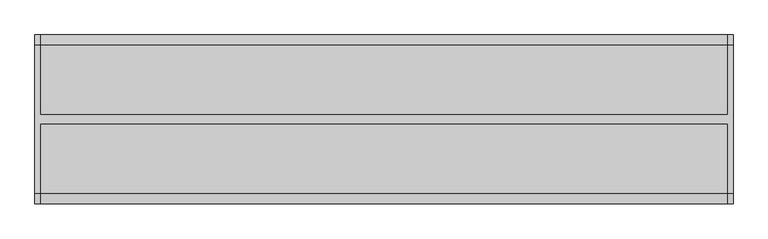
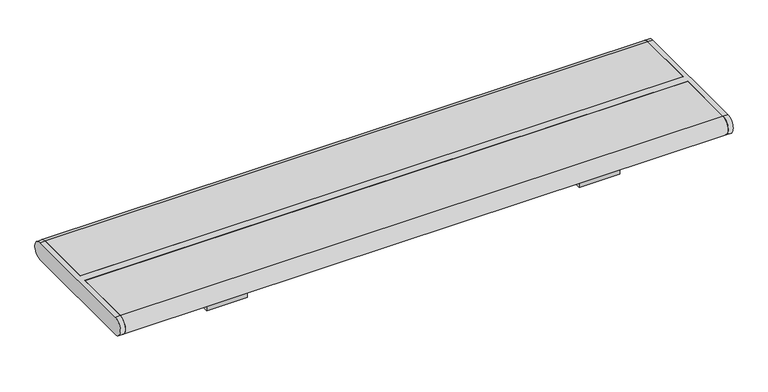
"""IFC4 building model written with IfcOpenShell, lengths in millimetres: furniture geometry."""

from ifc_helpers import new_model, si_unit, point, frame, frame_2d, origin, place, context, project, spatial, polyline, circle_curve, trimmed, segment, composite_curve, outline, extrude, source, transform, mapped, element, save
from ifc_brep_helpers import plane_surface, cylinder_surface, advanced_brep


def furniture_0a7c64ed(model_context):
    return source(origin(), model_context, "Body", "SolidModel", [
        extrude(outline(polyline([(125.0, 359.0), (-125.0, 359.0), (-125.0, 405.0), (125.0, 405.0), (125.0, 359.0)]), holes=[polyline([(-117.202041, 397.0), (-117.202041, 367.0), (117.202041, 367.0), (117.202041, 397.0), (-117.202041, 397.0)])]), frame((410.0, 0.0, 0.0), z_axis=(1.0, 0.0, 0.0), x_axis=(0.0, 1.0, 0.0)), (0.0, 0.0, 1.0), 100.0),
        extrude(outline(polyline([(125.0, 359.0), (-125.0, 359.0), (-125.0, 405.0), (125.0, 405.0), (125.0, 359.0)]), holes=[polyline([(-117.202041, 397.0), (-117.202041, 367.0), (117.202041, 367.0), (117.202041, 397.0), (-117.202041, 397.0)])]), frame((-510.0, 0.0, 0.0), z_axis=(1.0, 0.0, 0.0), x_axis=(0.0, 1.0, 0.0)), (0.0, 0.0, 1.0), 100.0),
        advanced_brep(
        [(757.0, -160.5, 405.0), (757.0, 160.5, 405.0), (757.0, 160.5, 450.0), (757.0, -160.5, 450.0), (745.0, -160.5, 405.0), (745.0, -160.5, 450.0), (745.0, -10.0, 450.0), (745.0, -10.0, 405.0), (745.0, 160.5, 450.0), (745.0, 160.5, 405.0), (745.0, 10.0, 405.0), (745.0, 10.0, 450.0), (-745.0, 10.0, 450.0), (-745.0, 160.5, 450.0), (-757.0, 160.5, 450.0), (-757.0, -160.5, 450.0), (-745.0, -160.5, 450.0), (-745.0, -10.0, 450.0), (-745.0, -10.0, 405.0), (-745.0, -160.5, 405.0), (-757.0, -160.5, 405.0), (-757.0, 160.5, 405.0), (-745.0, 160.5, 405.0), (-745.0, 10.0, 405.0)],
        [
            (0, 1),
            (1, 2, circle_curve(frame((757.0, 160.5, 427.5), z_axis=(1.0, 0.0, 0.0), x_axis=(0.0, 1.0, 0.0)), 22.5)),
            (2, 3),
            (3, 0, circle_curve(frame((757.0, -160.5, 427.5), z_axis=(1.0, 0.0, 0.0), x_axis=(0.0, -1.0, 0.0)), 22.5)),
            (4, 5, circle_curve(frame((745.0, -160.5, 427.5), z_axis=(-1.0, 0.0, 0.0), x_axis=(0.0, -1.0, 0.0)), 22.5)),
            (5, 6),
            (6, 7),
            (7, 4),
            (8, 9, circle_curve(frame((745.0, 160.5, 427.5), z_axis=(-1.0, 0.0, 0.0), x_axis=(0.0, 1.0, 0.0)), 22.5)),
            (9, 10),
            (10, 11),
            (11, 8),
            (2, 8),
            (11, 12),
            (12, 13),
            (13, 14),
            (14, 15),
            (15, 16),
            (16, 17),
            (17, 6),
            (5, 3),
            (0, 4),
            (7, 18),
            (18, 19),
            (19, 20),
            (20, 21),
            (21, 22),
            (22, 23),
            (23, 10),
            (9, 1),
            (17, 18),
            (23, 12),
            (22, 13, circle_curve(frame((-745.0, 160.5, 427.5), z_axis=(1.0, 0.0, 0.0), x_axis=(0.0, -1.0, 0.0)), 22.5)),
            (16, 19, circle_curve(frame((-745.0, -160.5, 427.5), z_axis=(1.0, 0.0, 0.0), x_axis=(0.0, -1.0, 0.0)), 22.5)),
            (20, 15, circle_curve(frame((-757.0, -160.5, 427.5), z_axis=(-1.0, 0.0, 0.0), x_axis=(0.0, -1.0, 0.0)), 22.5)),
            (14, 21, circle_curve(frame((-757.0, 160.5, 427.5), z_axis=(-1.0, 0.0, 0.0), x_axis=(0.0, -1.0, 0.0)), 22.5)),
        ],
        [
            plane_surface(frame((757.0, 160.5, 405.0), z_axis=(1.0, 0.0, 0.0), x_axis=(0.0, 1.0, 0.0))),
            plane_surface(frame((745.0, 160.5, 405.0), z_axis=(-1.0, 0.0, 0.0), x_axis=(0.0, -1.0, 0.0))),
            plane_surface(frame((757.0, 160.5, 450.0), z_axis=(0.0, 0.0, 1.0), x_axis=(-1.0, 0.0, 0.0))),
            plane_surface(frame((757.0, -160.5, 405.0), z_axis=(0.0, 0.0, -1.0), x_axis=(-1.0, 0.0, 0.0))),
            cylinder_surface(frame((745.0, -160.5, 427.5), z_axis=(1.0, 0.0, 0.0), x_axis=(0.0, -1.0, 0.0)), 22.5),
            cylinder_surface(frame((745.0, 160.5, 427.5), z_axis=(1.0, 0.0, 0.0), x_axis=(0.0, 1.0, 0.0)), 22.5),
            plane_surface(frame((745.0, -10.0, 450.0), z_axis=(0.0, -1.0, 0.0), x_axis=(-1.0, 0.0, 0.0))),
            plane_surface(frame((745.0, 10.0, 405.0), z_axis=(0.0, 1.0, 0.0), x_axis=(-1.0, 0.0, 0.0))),
            plane_surface(frame((-745.0, 160.5, 405.0), z_axis=(1.0, 0.0, 0.0), x_axis=(0.0, 1.0, 0.0))),
            plane_surface(frame((-757.0, 160.5, 405.0), z_axis=(-1.0, 0.0, 0.0), x_axis=(0.0, -1.0, 0.0))),
            cylinder_surface(frame((-757.0, -160.5, 427.5), z_axis=(1.0, 0.0, 0.0), x_axis=(0.0, -1.0, 0.0)), 22.5),
            cylinder_surface(frame((-757.0, 160.5, 427.5), z_axis=(1.0, 0.0, 0.0), x_axis=(0.0, -1.0, 0.0)), 22.5),
        ],
        [
            (0, [[1, 2, 3, 4]]),
            (1, [[5, 6, 7, 8]]),
            (1, [[9, 10, 11, 12]]),
            (2, [[-3, 13, -12, 14, 15, 16, 17, 18, 19, 20, -6, 21]]),
            (3, [[-1, 22, -8, 23, 24, 25, 26, 27, 28, 29, -10, 30]]),
            (4, [[-4, -21, -5, -22]]),
            (5, [[-2, -30, -9, -13]]),
            (6, [[-20, 31, -23, -7]]),
            (7, [[-14, -11, -29, 32]]),
            (8, [[33, -15, -32, -28]]),
            (8, [[34, -24, -31, -19]]),
            (9, [[35, -17, 36, -26]]),
            (10, [[-34, -18, -35, -25]]),
            (11, [[-33, -27, -36, -16]]),
        ],
    ),
        extrude(outline(composite_curve([segment(polyline([(10.0, 405.0), (10.0, 450.0), (160.5, 450.0)]), True, "CONTINUOUS"), segment(trimmed(circle_curve(frame_2d((160.5, 427.5)), 22.5), [point((160.5, 450.0))], [point((160.5, 405.0))], False, "CARTESIAN"), True, "CONTINUOUS"), segment(polyline([(160.5, 405.0), (10.0, 405.0)]), True, "CONTINUOUS")], self_intersect=False)), frame((-745.0, 0.0, 0.0), z_axis=(1.0, 0.0, 0.0), x_axis=(0.0, 1.0, 0.0)), (0.0, 0.0, 1.0), 1490.0),
        extrude(outline(composite_curve([segment(polyline([(-10.0, 405.0), (-160.5, 405.0)]), True, "CONTINUOUS"), segment(trimmed(circle_curve(frame_2d((-160.5, 427.5)), 22.5), [point((-160.5, 405.0))], [point((-160.5, 450.0))], False, "CARTESIAN"), True, "CONTINUOUS"), segment(polyline([(-160.5, 450.0), (-10.0, 450.0), (-10.0, 405.0)]), True, "CONTINUOUS")], self_intersect=False)), frame((-745.0, 0.0, 0.0), z_axis=(1.0, 0.0, 0.0), x_axis=(0.0, 1.0, 0.0)), (0.0, 0.0, 1.0), 1490.0),
    ])


if __name__ == "__main__":
    model = new_model("IFC4")
    model_context = context("Model", 3, world=origin())
    ifc_project = project(units=[si_unit("LENGTHUNIT", "METRE", prefix="MILLI")], contexts=[model_context])
    site = spatial("IfcSite", under=ifc_project)
    building = spatial("IfcBuilding", under=site)
    placement = place(None, origin())
    furniture_shape = furniture_0a7c64ed(model_context)
    element("IfcFurniture", 1, at=placement, inside=building, context=model_context, shape_type="MappedRepresentation", body=[
        mapped(furniture_shape, transform((0.0, 0.0, 0.0), x_axis=(1.0, 0.0, 0.0), y_axis=(0.0, 1.0, 0.0), z_axis=(0.0, 0.0, 1.0))),
    ])
    save(model, "model.ifc")
